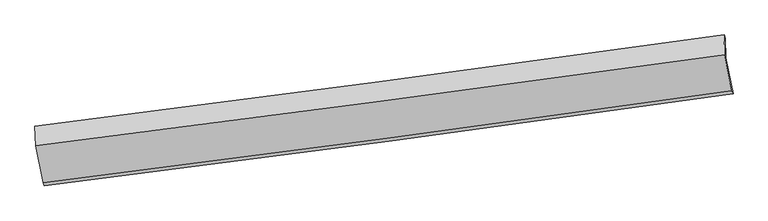
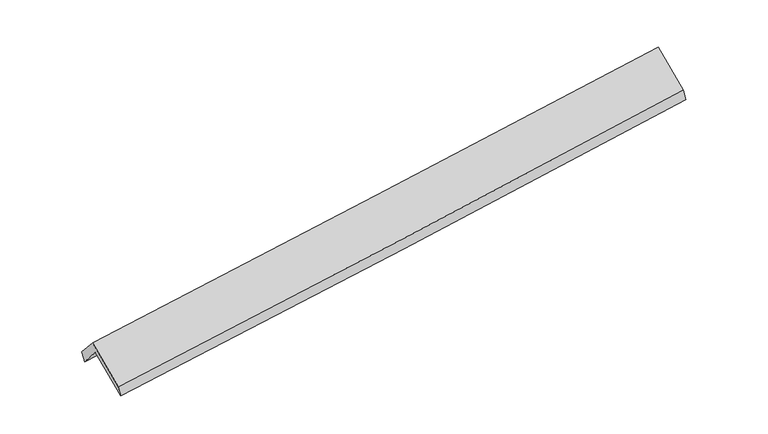
"""IFC4 building model written with IfcOpenShell, lengths in millimetres: proxy geometry."""

from ifc_helpers import new_model, si_unit, frame, origin, place, context, project, spatial, source, transform, mapped, element, save
from ifc_brep_helpers import plane_surface, spline_curve, spline_surface, advanced_brep


def generic_models_68ea0a66(model_context):
    return source(origin(), model_context, "Body", "AdvancedBrep", [
        advanced_brep(
        [(-4751.254778, -2214.8398455, 1767.2877998), (-4761.2802255, -1948.9781211, 1459.7690659), (4684.0723677, -699.4109095, 2212.3043758), (4694.0978152, -965.2726338, 2519.8231097), (-4778.2915109, -1901.4543978, 1596.8182645), (4667.0610823, -651.8871862, 2349.3535744), (-4768.0890119, -2172.011294, 1909.7678415), (4677.2636435, -922.4443963, 2662.302878), (-4667.0510136, -2681.219766, 1466.2436639), (4776.0819394, -1420.4660741, 2228.5224772), (-4651.4916476, -2717.6232739, 1329.3598806), (4791.6413055, -1456.869582, 2091.6386938)],
        [
            (0, 1),
            (1, 2, spline_curve(3, [(-4761.2802255, -1948.9781211, 1459.7690659), (-3184.911905808, -1749.58088436, 1584.060441557), (-1610.037583674, -1545.810026661, 1708.883388824), (1538.416498759, -1129.297042514, 1959.72734744), (3111.993040863, -916.545496568, 2085.749502939), (4684.0723677, -699.4109095, 2212.3043758)], [4, 2, 4], [0.0, 15.669666155835069, 31.35619759766125])),
            (2, 3),
            (3, 0, spline_curve(3, [(4694.0978152, -965.2726338, 2519.8231097), (3119.981293166, -1182.676726459, 2393.105928821), (1545.386701494, -1395.562952753, 2267.002663018), (-1603.065190187, -1812.075647377, 2016.158878952), (-3176.921463227, -2015.711824593, 1891.417041944), (-4751.254778, -2214.8398455, 1767.2877998)], [4, 2, 4], [0.0, 15.686531441826181, 31.35619759766125])),
            (1, 4),
            (4, 5, spline_curve(3, [(-4778.2915109, -1901.4543978, 1596.8182645), (-3203.958196127, -1702.326376893, 1720.947506644), (-1630.101923087, -1498.690199777, 1845.689343552), (1518.349968594, -1082.177505153, 2096.533127618), (3092.944560266, -869.291278859, 2222.636393521), (4667.0610823, -651.8871862, 2349.3535744)], [4, 2, 4], [0.0, 15.669666155835069, 31.35619759766125])),
            (5, 2),
            (4, 6),
            (6, 7, spline_curve(3, [(-4768.0890119, -2172.011294, 1909.7678415), (-3193.755707547, -1972.883220857, 2033.897129088), (-1619.89943456, -1769.247043749, 2158.638965992), (1528.552478078, -1352.734453638, 2409.482659129), (3103.147090589, -1139.848332097, 2535.585834115), (4677.2636435, -922.4443963, 2662.302878)], [4, 2, 4], [0.0, 15.669666156096547, 31.356197598184487])),
            (7, 5),
            (6, 8),
            (8, 9, spline_curve(3, [(-4667.0510136, -2681.219766, 1466.2436639), (-3092.348355047, -2483.95315241, 1588.751607345), (-1518.492082313, -2280.31697466, 1713.493444614), (1629.220724895, -1860.079463035, 1967.581570563), (3203.075436505, -1643.464409565, 2096.932671273), (4776.0819394, -1420.4660741, 2228.5224772)], [4, 2, 4], [0.0, 15.669722927262786, 31.35631120161986])),
            (9, 7),
            (8, 10),
            (10, 11, spline_curve(3, [(-4651.4916476, -2717.6232739, 1329.3598806), (-3076.788989139, -2520.356660135, 1451.867823609), (-1502.932716124, -2316.720482663, 1576.609661128), (1644.780090705, -1896.482970832, 1830.697787248), (3218.634802379, -1679.867917574, 1960.04888776), (4791.6413055, -1456.869582, 2091.6386938)], [4, 2, 4], [0.0, 15.669810859831658, 31.356487161399563])),
            (11, 9),
            (10, 0),
            (3, 11),
        ],
        [
            spline_surface(3, 3, [[(-4751.254778, -2214.8398455, 1767.2877998), (-3176.921463057, -2015.711824755, 1891.417041801), (-1603.065190262, -1812.075647262, 2016.15887903), (1545.386701569, -1395.562952868, 2267.00266294), (3119.981293182, -1182.676726437, 2393.105929022), (4694.0978152, -965.2726338, 2519.8231097)], [(-4754.596593833, -2126.219270728, 1664.781555166), (-3179.584944002, -1927.001511354, 1788.964841654), (-1605.389321339, -1723.320440414, 1913.733715661), (1543.063300585, -1306.807649434, 2164.577557739), (3117.31854233, -1093.966316451, 2290.653787043), (4690.755999367, -876.652059028, 2417.316865066)], [(-4757.938409667, -2037.598695872, 1562.275310534), (-3182.248424949, -1838.291197869, 1686.51264151), (-1607.713452435, -1634.565233511, 1811.308552293), (1540.739899581, -1218.052345945, 2062.15245254), (3114.655791476, -1005.25590648, 2188.201645068), (4687.414183533, -788.031484272, 2314.810620434)], [(-4761.2802255, -1948.9781211, 1459.7690659), (-3184.911905894, -1749.580884469, 1584.060441363), (-1610.037583512, -1545.810026663, 1708.883388924), (1538.416498597, -1129.297042512, 1959.727347339), (3111.993040623, -916.545496494, 2085.749503089), (4684.0723677, -699.4109095, 2212.3043758)]], [4, 4], [4, 2, 4], [0.0, 1.334153573703176], [0.0, 15.669666155835069, 31.35619759766125]),
            spline_surface(3, 3, [[(-4761.2802255, -1948.9781211, 1459.7690659), (-3184.911905894, -1749.580884469, 1584.060441363), (-1610.037583512, -1545.810026663, 1708.883388924), (1538.416498597, -1129.297042512, 1959.727347339), (3111.993040623, -916.545496494, 2085.749503089), (4684.0723677, -699.4109095, 2212.3043758)], [(-4766.950653952, -1933.13688, 1505.452132088), (-3191.260669234, -1733.829381997, 1629.689463063), (-1616.72569672, -1530.103417639, 1754.485373847), (1531.727655296, -1113.590530074, 2005.329274094), (3105.643547191, -900.794090608, 2131.378466621), (4678.401939248, -683.5696684, 2257.987441988)], [(-4772.621082448, -1917.2956389, 1551.135198312), (-3197.609432618, -1718.077879526, 1675.3184848), (-1623.413809954, -1514.396808686, 1800.087358708), (1525.03881197, -1097.884017706, 2050.931200786), (3099.294053714, -885.042684723, 2177.00743019), (4672.731510752, -667.7284273, 2303.670508212)], [(-4778.2915109, -1901.4543978, 1596.8182645), (-3203.958195957, -1702.326377055, 1720.947506501), (-1630.101923162, -1498.690199662, 1845.68934363), (1518.349968669, -1082.177505268, 2096.53312754), (3092.944560282, -869.291278837, 2222.636393722), (4667.0610823, -651.8871862, 2349.3535744)]], [4, 4], [4, 2, 4], [0.0, 0.47925796225193845], [0.0, 15.669666155835069, 31.35619759766125]),
            spline_surface(3, 3, [[(-4778.2915109, -1901.4543978, 1596.8182645), (-3203.958195957, -1702.326377055, 1720.947506501), (-1630.101923162, -1498.690199662, 1845.68934363), (1518.349968669, -1082.177505268, 2096.53312754), (3092.944560282, -869.291278837, 2222.636393722), (4667.0610823, -651.8871862, 2349.3535744)], [(-4774.890677923, -1991.640029868, 1701.134790172), (-3200.557366434, -1792.511991712, 1825.264047338), (-1626.701093639, -1588.875814319, 1950.005884467), (1521.750805105, -1172.363154765, 2200.849638032), (3096.345403639, -959.476963212, 2326.952873835), (4670.461936039, -742.0729229, 2453.670008937)], [(-4771.489844877, -2081.825661932, 1805.451315828), (-3197.156536843, -1882.697606366, 1929.580588158), (-1623.300264049, -1679.061428973, 2054.322425287), (1525.151641608, -1262.548804259, 2305.166148506), (3099.746246979, -1049.662647587, 2431.269353937), (4673.862789761, -832.2586596, 2557.986443463)], [(-4768.0890119, -2172.011294, 1909.7678415), (-3193.755707321, -1972.883221023, 2033.897128995), (-1619.899434526, -1769.24704363, 2158.638966124), (1528.552478044, -1352.734453756, 2409.482658997), (3103.147090335, -1139.848331961, 2535.58583405), (4677.2636435, -922.4443963, 2662.302878)]], [4, 4], [4, 2, 4], [0.0, 1.3576596059951913], [0.0, 15.669666156096547, 31.356197598184487]),
            spline_surface(3, 3, [[(-4768.0890119, -2172.011294, 1909.7678415), (-3193.755707321, -1972.883221023, 2033.897128995), (-1619.899434526, -1769.24704363, 2158.638966124), (1528.552478044, -1352.734453756, 2409.482658997), (3103.147090335, -1139.848331961, 2535.58583405), (4677.2636435, -922.4443963, 2662.302878)], [(-4734.409679116, -2341.747451314, 1761.926448985), (-3159.953256574, -2143.239864795, 1885.51528839), (-1586.09698378, -1939.603687402, 2010.257125519), (1562.108560353, -1521.849456782, 2262.182296257), (3136.456539039, -1307.72035786, 2389.368113171), (4710.20307547, -1088.451622235, 2517.709411068)], [(-4700.730346384, -2511.483608686, 1614.085056415), (-3126.150805879, -2313.596508625, 1737.13344773), (-1552.294533084, -2109.960331132, 1861.875284959), (1595.66464261, -1690.964459765, 2114.881933562), (3169.765987733, -1475.592383755, 2243.150392287), (4743.14250743, -1254.458848165, 2373.115944132)], [(-4667.0510136, -2681.219766, 1466.2436639), (-3092.348355132, -2483.953152397, 1588.751607125), (-1518.492082338, -2280.316974904, 1713.493444355), (1629.220724919, -1860.079462791, 1967.581570822), (3203.075436437, -1643.464409654, 2096.932671408), (4776.0819394, -1420.4660741, 2228.5224772)]], [4, 4], [4, 2, 4], [0.0, 2.2401437743649666], [0.0, 15.669722927262786, 31.35631120161986]),
            spline_surface(3, 3, [[(-4667.0510136, -2681.219766, 1466.2436639), (-3092.348355132, -2483.953152397, 1588.751607125), (-1518.492082338, -2280.316974904, 1713.493444355), (1629.220724919, -1860.079462791, 1967.581570822), (3203.075436437, -1643.464409654, 2096.932671408), (4776.0819394, -1420.4660741, 2228.5224772)], [(-4661.864558259, -2693.354268637, 1420.615736106), (-3087.161899791, -2496.087655033, 1543.123679332), (-1513.305626996, -2292.451477541, 1667.865516561), (1634.40718026, -1872.213965427, 1921.953643028), (3208.261891778, -1655.59891229, 2051.304743615), (4781.268394741, -1432.600576737, 2182.894549406)], [(-4656.678102941, -2705.488771263, 1374.987808394), (-3081.975444473, -2508.22215766, 1497.495751619), (-1508.119171679, -2304.585980168, 1622.237588748), (1639.593635578, -1884.348468054, 1876.325715216), (3213.448347196, -1667.733414917, 2005.676815802), (4786.454850159, -1444.735079363, 2137.266621594)], [(-4651.4916476, -2717.6232739, 1329.3598806), (-3076.788989132, -2520.356660297, 1451.867823825), (-1502.932716338, -2316.720482804, 1576.609660955), (1644.780090919, -1896.482970691, 1830.697787422), (3218.634802537, -1679.867917554, 1960.048888008), (4791.6413055, -1456.869582, 2091.6386938)]], [4, 4], [4, 2, 4], [0.0, 0.4674993020844027], [0.0, 15.669810859831658, 31.356487161399563]),
            spline_surface(3, 3, [[(-4651.4916476, -2717.6232739, 1329.3598806), (-3076.788989132, -2520.356660297, 1451.867823825), (-1502.932716338, -2316.720482804, 1576.609660955), (1644.780090919, -1896.482970691, 1830.697787422), (3218.634802537, -1679.867917554, 1960.048888008), (4791.6413055, -1456.869582, 2091.6386938)], [(-4684.746024417, -2550.028797753, 1475.335853683), (-3110.166480458, -2352.141715103, 1598.384229834), (-1536.310207663, -2148.50553761, 1723.126066963), (1611.648961118, -1729.509631403, 1976.132745911), (3185.75029942, -1514.137520515, 2104.401235015), (4759.126808735, -1293.0039326, 2234.366832436)], [(-4718.000401183, -2382.434321647, 1621.311826717), (-3143.543971731, -2183.926769949, 1744.900635792), (-1569.687698937, -1980.290592456, 1869.642473022), (1578.51783137, -1562.536292156, 2121.567704451), (3152.865796299, -1348.407123476, 2248.753582015), (4726.612311965, -1129.1382832, 2377.094971064)], [(-4751.254778, -2214.8398455, 1767.2877998), (-3176.921463057, -2015.711824755, 1891.417041801), (-1603.065190262, -1812.075647262, 2016.15887903), (1545.386701569, -1395.562952868, 2267.00266294), (3119.981293182, -1182.676726437, 2393.105929022), (4694.0978152, -965.2726338, 2519.8231097)]], [4, 4], [4, 2, 4], [0.0, 2.2118781291608647], [0.0, 15.669722929460187, 31.356311206017025]),
            plane_surface(frame((4715.0363589, -1019.391797, 2343.9908515), z_axis=(0.9886835911346892, 0.12792257507212737, 0.07836179814125618), x_axis=(0.1091932941129791, -0.2554743515886827, -0.9606298351608171))),
            plane_surface(frame((-4729.5763646, -2272.6877831, 1588.2077527), z_axis=(-0.9886835911346888, -0.12792257507214558, -0.07836179814123016), x_axis=(0.14797601040805203, -0.7457653494092903, -0.6495668895226689))),
        ],
        [
            (0, [[1, 2, 3, 4]]),
            (1, [[5, 6, 7, -2]]),
            (2, [[8, 9, 10, -6]]),
            (3, [[11, 12, 13, -9]]),
            (4, [[14, 15, 16, -12]]),
            (5, [[17, -4, 18, -15]]),
            (6, [[-16, -18, -3, -7, -10, -13]]),
            (7, [[-17, -14, -11, -8, -5, -1]]),
        ],
    ),
    ])


if __name__ == "__main__":
    model = new_model("IFC4")
    model_context = context("Model", 3, world=origin())
    ifc_project = project(units=[si_unit("LENGTHUNIT", "METRE", prefix="MILLI")], contexts=[model_context])
    site = spatial("IfcSite", under=ifc_project)
    building = spatial("IfcBuilding", under=site)
    placement = place(None, origin())
    generic_models_shape = generic_models_68ea0a66(model_context)
    element("IfcBuildingElementProxy", 1, Name="Generic Models", at=placement, inside=building, context=model_context, shape_type="MappedRepresentation", body=[
        mapped(generic_models_shape, transform((0.0, 0.0, 0.0), x_axis=(1.0, 0.0, 0.0), y_axis=(0.0, 1.0, 0.0), z_axis=(0.0, 0.0, 1.0))),
    ])
    save(model, "model.ifc")
